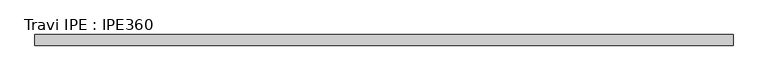
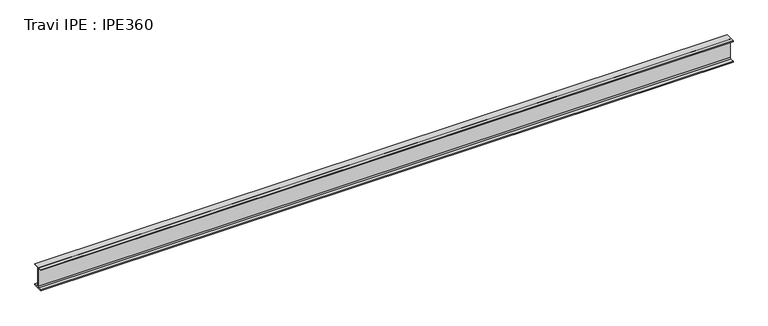
"""IFC4 building model written with IfcOpenShell, lengths in millimetres: beam geometry, Travi IPE : IPE360."""

from ifc_helpers import new_model, si_unit, point, frame, frame_2d, origin, place, context, project, spatial, polyline, circle_curve, trimmed, segment, composite_curve, outline, extrude, source, transform, mapped, element, save


def travi_ipe_ipe360_0f7d3fbe(model_context):
    return source(origin(), model_context, "Body", "SweptSolid", [
        extrude(outline(composite_curve([segment(polyline([(85.0, -167.3), (85.0, -180.0), (-85.0, -180.0), (-85.0, -167.3), (-22.0, -167.3)]), True, "CONTINUOUS"), segment(trimmed(circle_curve(frame_2d((-22.0, -149.3)), 18.0), [point((-22.0, -167.3))], [point((-4.0, -149.3))], True, "CARTESIAN"), True, "CONTINUOUS"), segment(polyline([(-4.0, -149.3), (-4.0, 149.3)]), True, "CONTINUOUS"), segment(trimmed(circle_curve(frame_2d((-22.0, 149.3)), 18.0), [point((-4.0, 149.3))], [point((-22.0, 167.3))], True, "CARTESIAN"), True, "CONTINUOUS"), segment(polyline([(-22.0, 167.3), (-85.0, 167.3), (-85.0, 180.0), (85.0, 180.0), (85.0, 167.3), (22.0, 167.3)]), True, "CONTINUOUS"), segment(trimmed(circle_curve(frame_2d((22.0, 149.3)), 18.0), [point((22.0, 167.3))], [point((4.0, 149.3))], True, "CARTESIAN"), True, "CONTINUOUS"), segment(polyline([(4.0, 149.3), (4.0, -149.3)]), True, "CONTINUOUS"), segment(trimmed(circle_curve(frame_2d((22.0, -149.3)), 18.0), [point((4.0, -149.3))], [point((22.0, -167.3))], True, "CARTESIAN"), True, "CONTINUOUS"), segment(polyline([(22.0, -167.3), (85.0, -167.3)]), True, "CONTINUOUS")], self_intersect=False)), frame((-5520.0, 0.0, 0.0), z_axis=(1.0, 0.0, 0.0), x_axis=(0.0, 1.0, 0.0)), (0.0, 0.0, 1.0), 11180.0),
    ])


if __name__ == "__main__":
    model = new_model("IFC4")
    model_context = context("Model", 3, world=origin())
    ifc_project = project(units=[si_unit("LENGTHUNIT", "METRE", prefix="MILLI")], contexts=[model_context])
    site = spatial("IfcSite", under=ifc_project)
    building = spatial("IfcBuilding", under=site)
    placement = place(None, origin())
    travi_ipe_ipe360_shape = travi_ipe_ipe360_0f7d3fbe(model_context)
    element("IfcBeam", 1, ObjectType="Travi IPE : IPE360", at=placement, inside=building, context=model_context, shape_type="MappedRepresentation", body=[
        mapped(travi_ipe_ipe360_shape, transform((0.0, 0.0, 0.0), x_axis=(1.0, 0.0, 0.0), y_axis=(0.0, 1.0, 0.0), z_axis=(0.0, 0.0, 1.0))),
    ])
    save(model, "model.ifc")
